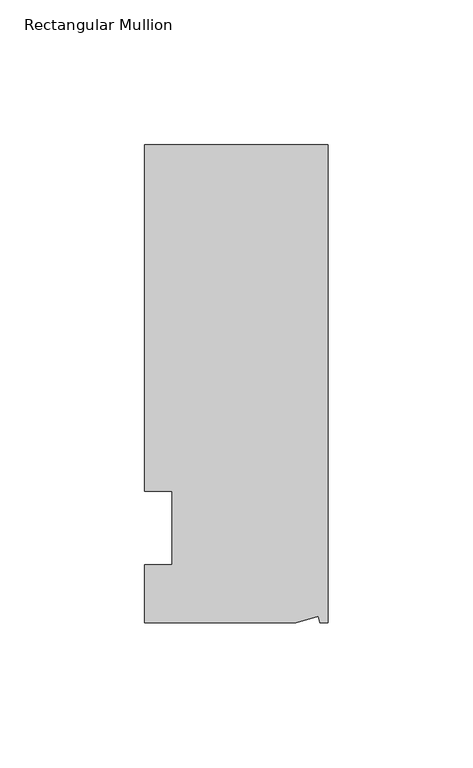
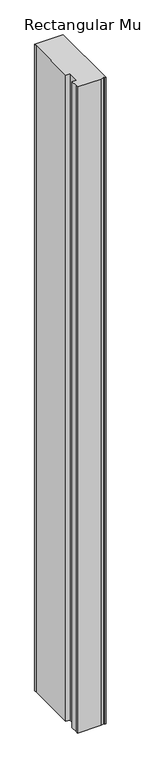
"""IFC4 building model written with IfcOpenShell, lengths in millimetres: member geometry, Rectangular Mullion."""

from ifc_helpers import new_model, si_unit, frame, origin, place, context, project, spatial, polyline, outline, extrude, source, transform, mapped, element, save


def rectangular_mullion_ceced3b9(model_context):
    return source(origin(), model_context, "Body", "SweptSolid", [
        extrude(outline(polyline([(0.0, 132.5561012), (0.0, -32.5438988), (-2.7616541, -32.5438988), (-3.3341886, -30.4622958), (-11.121847, -32.5438988), (-63.5, -32.5438988), (-63.5, -26.1938988), (-63.5, -12.5945801), (-53.975, -12.5945801), (-53.975, 12.8054199), (-63.5, 12.8054199), (-63.5, 126.2061012), (-63.5, 132.5561012), (0.0, 132.5561012)])), frame((0.0, 0.0, -1524.0), z_axis=(0.0, 0.0, 1.0), x_axis=(1.0, 0.0, 0.0)), (0.0, 0.0, 1.0), 1524.0),
    ])


if __name__ == "__main__":
    model = new_model("IFC4")
    model_context = context("Model", 3, world=origin())
    ifc_project = project(units=[si_unit("LENGTHUNIT", "METRE", prefix="MILLI")], contexts=[model_context])
    site = spatial("IfcSite", under=ifc_project)
    building = spatial("IfcBuilding", under=site)
    placement = place(None, origin())
    rectangular_mullion_shape = rectangular_mullion_ceced3b9(model_context)
    element("IfcMember", 1, ObjectType="Rectangular Mullion", at=placement, inside=building, context=model_context, shape_type="MappedRepresentation", body=[
        mapped(rectangular_mullion_shape, transform((0.0, 0.0, 0.0), x_axis=(1.0, 0.0, 0.0), y_axis=(0.0, 1.0, 0.0), z_axis=(0.0, 0.0, 1.0))),
    ])
    save(model, "model.ifc")
